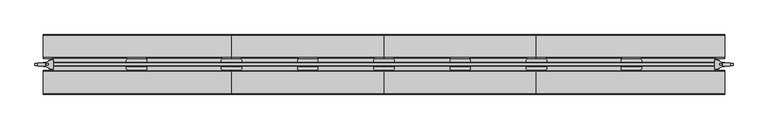
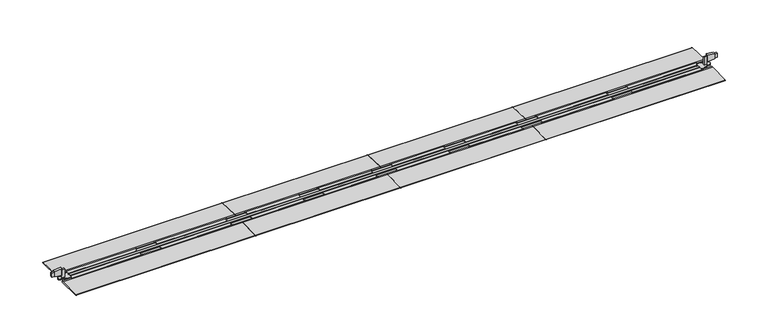
"""IFC4 building model written with IfcOpenShell, lengths in millimetres: furniture geometry."""

from ifc_helpers import new_model, si_unit, point, frame, frame_2d, origin, place, context, project, spatial, polyline, circle_curve, trimmed, segment, composite_curve, outline, extrude, faceted_brep, source, transform, mapped, element, save
from ifc_brep_helpers import plane_surface, cylinder_surface, advanced_brep


def furniture_cd8ad6c5(model_context):
    return source(origin(), model_context, "Body", "SolidModel", [
        extrude(outline(composite_curve([segment(polyline([(84.6321434, 8.9147716), (84.6321434, 18.4297719)]), True, "CONTINUOUS"), segment(trimmed(circle_curve(frame_2d((78.6321437, 18.4297719)), 5.9999997), [point((84.6321434, 18.4297719))], [point((78.6321437, 24.4297716))], True, "CARTESIAN"), True, "CONTINUOUS"), segment(polyline([(78.6321437, 24.4297716), (395.303263, 24.4297716)]), True, "CONTINUOUS"), segment(trimmed(circle_curve(frame_2d((395.303263, 18.4297719)), 5.9999997), [point((395.303263, 24.4297716))], [point((389.3032634, 18.4297719))], True, "CARTESIAN"), True, "CONTINUOUS"), segment(polyline([(389.3032634, 18.4297719), (389.3032634, 8.9147716), (84.6321434, 8.9147716)]), True, "CONTINUOUS")], self_intersect=False)), frame((0.0, 0.0, 3.2), z_axis=(0.0, 0.0, 1.0), x_axis=(1.0, 0.0, 0.0)), (0.0, 0.0, 1.0), 1.6426255),
        extrude(outline(composite_curve([segment(polyline([(-8.9147716, 84.6321434), (-18.4297719, 84.6321434)]), True, "CONTINUOUS"), segment(trimmed(circle_curve(frame_2d((-18.4297719, 78.6321437)), 5.9999997), [point((-18.4297719, 84.6321434))], [point((-24.4297716, 78.6321437))], True, "CARTESIAN"), True, "CONTINUOUS"), segment(polyline([(-24.4297716, 78.6321437), (-24.4297716, 395.303263)]), True, "CONTINUOUS"), segment(trimmed(circle_curve(frame_2d((-18.4297719, 395.303263)), 5.9999997), [point((-24.4297716, 395.303263))], [point((-18.4297719, 389.3032634))], True, "CARTESIAN"), True, "CONTINUOUS"), segment(polyline([(-18.4297719, 389.3032634), (-8.9147716, 389.3032634), (-8.9147716, 84.6321434)]), True, "CONTINUOUS")], self_intersect=False)), frame((0.0, 0.0, 4.8426255), z_axis=(0.0, 0.0, -1.0), x_axis=(0.0, 1.0, 0.0)), (0.0, 0.0, 1.0), 1.6426255),
        extrude(outline(composite_curve([segment(polyline([(790.3952008, 8.9147716), (479.3208634, 8.9147716), (479.3208634, 18.4297719)]), True, "CONTINUOUS"), segment(trimmed(circle_curve(frame_2d((473.3208637, 18.4297719)), 5.9999997), [point((479.3208634, 18.4297719))], [point((473.3208637, 24.4297716))], True, "CARTESIAN"), True, "CONTINUOUS"), segment(polyline([(473.3208637, 24.4297716), (796.3952005, 24.4297716)]), True, "CONTINUOUS"), segment(trimmed(circle_curve(frame_2d((796.3952005, 18.4297719)), 5.9999997), [point((796.3952005, 24.4297716))], [point((790.3952008, 18.4297719))], True, "CARTESIAN"), True, "CONTINUOUS"), segment(polyline([(790.3952008, 18.4297719), (790.3952008, 8.9147716)]), True, "CONTINUOUS")], self_intersect=False)), frame((0.0, 0.0, 3.2), z_axis=(0.0, 0.0, 1.0), x_axis=(1.0, 0.0, 0.0)), (0.0, 0.0, 1.0), 1.6426255),
        extrude(outline(composite_curve([segment(polyline([(790.3952008, -8.9147716), (790.3952008, -18.4297719)]), True, "CONTINUOUS"), segment(trimmed(circle_curve(frame_2d((796.3952005, -18.4297719)), 5.9999997), [point((790.3952008, -18.4297719))], [point((796.3952005, -24.4297716))], True, "CARTESIAN"), True, "CONTINUOUS"), segment(polyline([(796.3952005, -24.4297716), (473.3208637, -24.4297716)]), True, "CONTINUOUS"), segment(trimmed(circle_curve(frame_2d((473.3208637, -18.4297719)), 5.9999997), [point((473.3208637, -24.4297716))], [point((479.3208634, -18.4297719))], True, "CARTESIAN"), True, "CONTINUOUS"), segment(polyline([(479.3208634, -18.4297719), (479.3208634, -8.9147716), (790.3952008, -8.9147716)]), True, "CONTINUOUS")], self_intersect=False)), frame((0.0, 0.0, 3.2), z_axis=(0.0, 0.0, 1.0), x_axis=(1.0, 0.0, 0.0)), (0.0, 0.0, 1.0), 1.6426255),
        extrude(outline(composite_curve([segment(polyline([(1434.3614008, 8.9147716), (1202.3959008, 8.9147716), (1202.3959008, 18.4353716)]), True, "CONTINUOUS"), segment(trimmed(circle_curve(frame_2d((1196.4015008, 18.4353716)), 5.9944), [point((1202.3959008, 18.4353716))], [point((1196.4015008, 24.4297716))], True, "CARTESIAN"), True, "CONTINUOUS"), segment(polyline([(1196.4015008, 24.4297716), (1440.3614005, 24.4297716)]), True, "CONTINUOUS"), segment(trimmed(circle_curve(frame_2d((1440.3614005, 18.4297719)), 5.9999997), [point((1440.3614005, 24.4297716))], [point((1434.3614008, 18.4297719))], True, "CARTESIAN"), True, "CONTINUOUS"), segment(polyline([(1434.3614008, 18.4297719), (1434.3614008, 8.9147716)]), True, "CONTINUOUS")], self_intersect=False)), frame((0.0, 0.0, 3.2), z_axis=(0.0, 0.0, 1.0), x_axis=(1.0, 0.0, 0.0)), (0.0, 0.0, 1.0), 1.6426255),
        extrude(outline(composite_curve([segment(polyline([(1434.3614008, -8.9147716), (1434.3614008, -18.4297719)]), True, "CONTINUOUS"), segment(trimmed(circle_curve(frame_2d((1440.3614005, -18.4297719)), 5.9999997), [point((1434.3614008, -18.4297719))], [point((1440.3614005, -24.4297716))], True, "CARTESIAN"), True, "CONTINUOUS"), segment(polyline([(1440.3614005, -24.4297716), (1196.3959012, -24.4297716)]), True, "CONTINUOUS"), segment(trimmed(circle_curve(frame_2d((1196.3959012, -18.4297719)), 5.9999997), [point((1196.3959012, -24.4297716))], [point((1202.3959008, -18.4297719))], True, "CARTESIAN"), True, "CONTINUOUS"), segment(polyline([(1202.3959008, -18.4297719), (1202.3959008, -8.9147716), (1434.3614008, -8.9147716)]), True, "CONTINUOUS")], self_intersect=False)), frame((0.0, 0.0, 3.2), z_axis=(0.0, 0.0, 1.0), x_axis=(1.0, 0.0, 0.0)), (0.0, 0.0, 1.0), 1.6426255),
        extrude(outline(composite_curve([segment(polyline([(880.4128008, 8.9147716), (880.4128008, 18.4297719)]), True, "CONTINUOUS"), segment(trimmed(circle_curve(frame_2d((874.4128012, 18.4297719)), 5.9999997), [point((880.4128008, 18.4297719))], [point((874.4128012, 24.4297716))], True, "CARTESIAN"), True, "CONTINUOUS"), segment(polyline([(874.4128012, 24.4297716), (1118.3783005, 24.4297716)]), True, "CONTINUOUS"), segment(trimmed(circle_curve(frame_2d((1118.3783005, 18.4297719)), 5.9999997), [point((1118.3783005, 24.4297716))], [point((1112.3783008, 18.4297719))], True, "CARTESIAN"), True, "CONTINUOUS"), segment(polyline([(1112.3783008, 18.4297719), (1112.3783008, 8.9147716), (880.4128008, 8.9147716)]), True, "CONTINUOUS")], self_intersect=False)), frame((0.0, 0.0, 3.2), z_axis=(0.0, 0.0, 1.0), x_axis=(1.0, 0.0, 0.0)), (0.0, 0.0, 1.0), 1.6426255),
        extrude(outline(composite_curve([segment(polyline([(880.4128008, -8.9147716), (1112.3783008, -8.9147716), (1112.3783008, -18.4297719)]), True, "CONTINUOUS"), segment(trimmed(circle_curve(frame_2d((1118.3783005, -18.4297719)), 5.9999997), [point((1112.3783008, -18.4297719))], [point((1118.3783005, -24.4297716))], True, "CARTESIAN"), True, "CONTINUOUS"), segment(polyline([(1118.3783005, -24.4297716), (874.4128012, -24.4297716)]), True, "CONTINUOUS"), segment(trimmed(circle_curve(frame_2d((874.4128012, -18.4297719)), 5.9999997), [point((874.4128012, -24.4297716))], [point((880.4128008, -18.4297719))], True, "CARTESIAN"), True, "CONTINUOUS"), segment(polyline([(880.4128008, -18.4297719), (880.4128008, -8.9147716)]), True, "CONTINUOUS")], self_intersect=False)), frame((0.0, 0.0, 3.2), z_axis=(0.0, 0.0, 1.0), x_axis=(1.0, 0.0, 0.0)), (0.0, 0.0, 1.0), 1.6426255),
        extrude(outline(composite_curve([segment(polyline([(8.9147716, 2874.1082583), (18.4297719, 2874.1082583)]), True, "CONTINUOUS"), segment(trimmed(circle_curve(frame_2d((18.4297719, 2880.108258)), 5.9999997), [point((18.4297719, 2874.1082583))], [point((24.4297716, 2880.108258))], True, "CARTESIAN"), True, "CONTINUOUS"), segment(polyline([(24.4297716, 2880.108258), (24.4297716, 2563.4371387)]), True, "CONTINUOUS"), segment(trimmed(circle_curve(frame_2d((18.4297719, 2563.4371387)), 5.9999997), [point((24.4297716, 2563.4371387))], [point((18.4297719, 2569.4371383))], True, "CARTESIAN"), True, "CONTINUOUS"), segment(polyline([(18.4297719, 2569.4371383), (8.9147716, 2569.4371383), (8.9147716, 2874.1082583)]), True, "CONTINUOUS")], self_intersect=False)), frame((0.0, 0.0, 4.8426255), z_axis=(0.0, 0.0, -1.0), x_axis=(0.0, 1.0, 0.0)), (0.0, 0.0, 1.0), 1.6426255),
        extrude(outline(composite_curve([segment(polyline([(2874.1082583, -8.9147716), (2874.1082583, -18.4297719)]), True, "CONTINUOUS"), segment(trimmed(circle_curve(frame_2d((2880.108258, -18.4297719)), 5.9999997), [point((2874.1082583, -18.4297719))], [point((2880.108258, -24.4297716))], True, "CARTESIAN"), True, "CONTINUOUS"), segment(polyline([(2880.108258, -24.4297716), (2563.4371387, -24.4297716)]), True, "CONTINUOUS"), segment(trimmed(circle_curve(frame_2d((2563.4371387, -18.4297719)), 5.9999997), [point((2563.4371387, -24.4297716))], [point((2569.4371383, -18.4297719))], True, "CARTESIAN"), True, "CONTINUOUS"), segment(polyline([(2569.4371383, -18.4297719), (2569.4371383, -8.9147716), (2874.1082583, -8.9147716)]), True, "CONTINUOUS")], self_intersect=False)), frame((0.0, 0.0, 3.2), z_axis=(0.0, 0.0, 1.0), x_axis=(1.0, 0.0, 0.0)), (0.0, 0.0, 1.0), 1.6426255),
        extrude(outline(composite_curve([segment(polyline([(2168.3452008, 8.9147716), (2168.3452008, 18.4297719)]), True, "CONTINUOUS"), segment(trimmed(circle_curve(frame_2d((2162.3452012, 18.4297719)), 5.9999997), [point((2168.3452008, 18.4297719))], [point((2162.3452012, 24.4297716))], True, "CARTESIAN"), True, "CONTINUOUS"), segment(polyline([(2162.3452012, 24.4297716), (2485.419538, 24.4297716)]), True, "CONTINUOUS"), segment(trimmed(circle_curve(frame_2d((2485.419538, 18.4297719)), 5.9999997), [point((2485.419538, 24.4297716))], [point((2479.4195383, 18.4297719))], True, "CARTESIAN"), True, "CONTINUOUS"), segment(polyline([(2479.4195383, 18.4297719), (2479.4195383, 8.9147716), (2168.3452008, 8.9147716)]), True, "CONTINUOUS")], self_intersect=False)), frame((0.0, 0.0, 3.2), z_axis=(0.0, 0.0, 1.0), x_axis=(1.0, 0.0, 0.0)), (0.0, 0.0, 1.0), 1.6426255),
        extrude(outline(composite_curve([segment(polyline([(-8.9147716, 2168.3452008), (-18.4297719, 2168.3452008)]), True, "CONTINUOUS"), segment(trimmed(circle_curve(frame_2d((-18.4297719, 2162.3452012)), 5.9999997), [point((-18.4297719, 2168.3452008))], [point((-24.4297716, 2162.3452012))], True, "CARTESIAN"), True, "CONTINUOUS"), segment(polyline([(-24.4297716, 2162.3452012), (-24.4297716, 2485.419538)]), True, "CONTINUOUS"), segment(trimmed(circle_curve(frame_2d((-18.4297719, 2485.419538)), 5.9999997), [point((-24.4297716, 2485.419538))], [point((-18.4297719, 2479.4195383))], True, "CARTESIAN"), True, "CONTINUOUS"), segment(polyline([(-18.4297719, 2479.4195383), (-8.9147716, 2479.4195383), (-8.9147716, 2168.3452008)]), True, "CONTINUOUS")], self_intersect=False)), frame((0.0, 0.0, 4.8426255), z_axis=(0.0, 0.0, -1.0), x_axis=(0.0, 1.0, 0.0)), (0.0, 0.0, 1.0), 1.6426255),
        extrude(outline(composite_curve([segment(polyline([(1524.3790008, 8.9147716), (1524.3790008, 18.4297719)]), True, "CONTINUOUS"), segment(trimmed(circle_curve(frame_2d((1518.3790012, 18.4297719)), 5.9999997), [point((1524.3790008, 18.4297719))], [point((1518.3790012, 24.4297716))], True, "CARTESIAN"), True, "CONTINUOUS"), segment(polyline([(1518.3790012, 24.4297716), (1762.3445005, 24.4297716)]), True, "CONTINUOUS"), segment(trimmed(circle_curve(frame_2d((1762.3445005, 18.4297719)), 5.9999997), [point((1762.3445005, 24.4297716))], [point((1756.3445008, 18.4297719))], True, "CARTESIAN"), True, "CONTINUOUS"), segment(polyline([(1756.3445008, 18.4297719), (1756.3445008, 8.9147716), (1524.3790008, 8.9147716)]), True, "CONTINUOUS")], self_intersect=False)), frame((0.0, 0.0, 3.2), z_axis=(0.0, 0.0, 1.0), x_axis=(1.0, 0.0, 0.0)), (0.0, 0.0, 1.0), 1.6426255),
        extrude(outline(composite_curve([segment(polyline([(1524.3790008, -8.9147716), (1756.3445008, -8.9147716), (1756.3445008, -18.4297719)]), True, "CONTINUOUS"), segment(trimmed(circle_curve(frame_2d((1762.3445005, -18.4297719)), 5.9999997), [point((1756.3445008, -18.4297719))], [point((1762.3445005, -24.4297716))], True, "CARTESIAN"), True, "CONTINUOUS"), segment(polyline([(1762.3445005, -24.4297716), (1518.3790012, -24.4297716)]), True, "CONTINUOUS"), segment(trimmed(circle_curve(frame_2d((1518.3790012, -18.4297719)), 5.9999997), [point((1518.3790012, -24.4297716))], [point((1524.3790008, -18.4297719))], True, "CARTESIAN"), True, "CONTINUOUS"), segment(polyline([(1524.3790008, -18.4297719), (1524.3790008, -8.9147716)]), True, "CONTINUOUS")], self_intersect=False)), frame((0.0, 0.0, 3.2), z_axis=(0.0, 0.0, 1.0), x_axis=(1.0, 0.0, 0.0)), (0.0, 0.0, 1.0), 1.6426255),
        extrude(outline(composite_curve([segment(polyline([(2078.3276008, 8.9147716), (1846.3621008, 8.9147716), (1846.3621008, 18.4297719)]), True, "CONTINUOUS"), segment(trimmed(circle_curve(frame_2d((1840.3621012, 18.4297719)), 5.9999997), [point((1846.3621008, 18.4297719))], [point((1840.3621012, 24.4297716))], True, "CARTESIAN"), True, "CONTINUOUS"), segment(polyline([(1840.3621012, 24.4297716), (2084.3276005, 24.4297716)]), True, "CONTINUOUS"), segment(trimmed(circle_curve(frame_2d((2084.3276005, 18.4297719)), 5.9999997), [point((2084.3276005, 24.4297716))], [point((2078.3276008, 18.4297719))], True, "CARTESIAN"), True, "CONTINUOUS"), segment(polyline([(2078.3276008, 18.4297719), (2078.3276008, 8.9147716)]), True, "CONTINUOUS")], self_intersect=False)), frame((0.0, 0.0, 3.2), z_axis=(0.0, 0.0, 1.0), x_axis=(1.0, 0.0, 0.0)), (0.0, 0.0, 1.0), 1.6426255),
        extrude(outline(composite_curve([segment(polyline([(2078.3276008, -8.9147716), (2078.3276008, -18.4297719)]), True, "CONTINUOUS"), segment(trimmed(circle_curve(frame_2d((2084.3276005, -18.4297719)), 5.9999997), [point((2078.3276008, -18.4297719))], [point((2084.3276005, -24.4297716))], True, "CARTESIAN"), True, "CONTINUOUS"), segment(polyline([(2084.3276005, -24.4297716), (1840.3621012, -24.4297716)]), True, "CONTINUOUS"), segment(trimmed(circle_curve(frame_2d((1840.3621012, -18.4297719)), 5.9999997), [point((1840.3621012, -24.4297716))], [point((1846.3621008, -18.4297719))], True, "CARTESIAN"), True, "CONTINUOUS"), segment(polyline([(1846.3621008, -18.4297719), (1846.3621008, -8.9147716), (2078.3276008, -8.9147716)]), True, "CONTINUOUS")], self_intersect=False)), frame((0.0, 0.0, 3.2), z_axis=(0.0, 0.0, 1.0), x_axis=(1.0, 0.0, 0.0)), (0.0, 0.0, 1.0), 1.6426255),
        extrude(outline(composite_curve([segment(trimmed(circle_curve(frame_2d((125.4554521, 0.4957713)), 0.4957713), [point((125.4754986, 0.9911372))], [point((125.4554521, 0.0))], False, "CARTESIAN"), True, "CONTINUOUS"), segment(polyline([(125.4554521, 0.0), (24.4297716, 0.0), (24.4297716, 4.8426255), (30.3016859, 4.8426255), (125.4754986, 0.9911372)]), True, "CONTINUOUS")], self_intersect=False)), frame((2123.3364008, 0.0, 0.0), z_axis=(1.0, 0.0, 0.0), x_axis=(0.0, 1.0, 0.0)), (0.0, 0.0, 1.0), 795.7718542),
        extrude(outline(composite_curve([segment(polyline([(-125.4754986, 0.9911372), (-30.3016859, 4.8426255), (-24.4297716, 4.8426255), (-24.4297716, 0.0), (-125.4554521, 0.0)]), True, "CONTINUOUS"), segment(trimmed(circle_curve(frame_2d((-125.4554521, 0.4957713)), 0.4957713), [point((-125.4554521, 0.0))], [point((-125.4754986, 0.9911372))], False, "CARTESIAN"), True, "CONTINUOUS")], self_intersect=False)), frame((2123.3364008, 0.0, 0.0), z_axis=(1.0, 0.0, 0.0), x_axis=(0.0, 1.0, 0.0)), (0.0, 0.0, 1.0), 795.7718542),
        extrude(outline(composite_curve([segment(trimmed(circle_curve(frame_2d((125.4554521, 0.4957713)), 0.4957713), [point((125.4754986, 0.9911372))], [point((125.4554521, 0.0))], False, "CARTESIAN"), True, "CONTINUOUS"), segment(polyline([(125.4554521, 0.0), (24.4297716, 0.0), (24.4297716, 4.8426255), (30.3016859, 4.8426255), (125.4754986, 0.9911372)]), True, "CONTINUOUS")], self_intersect=False)), frame((1479.3702008, 0.0, 0.0), z_axis=(1.0, 0.0, 0.0), x_axis=(0.0, 1.0, 0.0)), (0.0, 0.0, 1.0), 643.9662),
        extrude(outline(composite_curve([segment(polyline([(-125.4754986, 0.9911372), (-30.3016859, 4.8426255), (-24.4297716, 4.8426255), (-24.4297716, 0.0), (-125.4554521, 0.0)]), True, "CONTINUOUS"), segment(trimmed(circle_curve(frame_2d((-125.4554521, 0.4957713)), 0.4957713), [point((-125.4554521, 0.0))], [point((-125.4754986, 0.9911372))], False, "CARTESIAN"), True, "CONTINUOUS")], self_intersect=False)), frame((1479.3702008, 0.0, 0.0), z_axis=(1.0, 0.0, 0.0), x_axis=(0.0, 1.0, 0.0)), (0.0, 0.0, 1.0), 643.9662),
        extrude(outline(composite_curve([segment(trimmed(circle_curve(frame_2d((125.4554521, 0.4957713)), 0.4957713), [point((125.4754986, 0.9911372))], [point((125.4554521, 0.0))], False, "CARTESIAN"), True, "CONTINUOUS"), segment(polyline([(125.4554521, 0.0), (24.4297716, 0.0), (24.4297716, 4.8426255), (30.3016859, 4.8426255), (125.4754986, 0.9911372)]), True, "CONTINUOUS")], self_intersect=False)), frame((835.4040008, 0.0, 0.0), z_axis=(1.0, 0.0, 0.0), x_axis=(0.0, 1.0, 0.0)), (0.0, 0.0, 1.0), 643.9662),
        extrude(outline(composite_curve([segment(polyline([(-125.4754986, 0.9911372), (-30.3016859, 4.8426255), (-24.4297716, 4.8426255), (-24.4297716, 0.0), (-125.4554521, 0.0)]), True, "CONTINUOUS"), segment(trimmed(circle_curve(frame_2d((-125.4554521, 0.4957713)), 0.4957713), [point((-125.4554521, 0.0))], [point((-125.4754986, 0.9911372))], False, "CARTESIAN"), True, "CONTINUOUS")], self_intersect=False)), frame((835.4040008, 0.0, 0.0), z_axis=(1.0, 0.0, 0.0), x_axis=(0.0, 1.0, 0.0)), (0.0, 0.0, 1.0), 643.9662),
        extrude(outline(composite_curve([segment(trimmed(circle_curve(frame_2d((125.4554521, 0.4957713)), 0.4957713), [point((125.4754986, 0.9911372))], [point((125.4554521, 0.0))], False, "CARTESIAN"), True, "CONTINUOUS"), segment(polyline([(125.4554521, 0.0), (24.4297716, 0.0), (24.4297716, 4.8426255), (30.3016859, 4.8426255), (125.4754986, 0.9911372)]), True, "CONTINUOUS")], self_intersect=False)), frame((39.6321467, 0.0, 0.0), z_axis=(1.0, 0.0, 0.0), x_axis=(0.0, 1.0, 0.0)), (0.0, 0.0, 1.0), 795.7718542),
        extrude(outline(composite_curve([segment(polyline([(-125.4754986, 0.9911372), (-30.3016859, 4.8426255), (-24.4297716, 4.8426255), (-24.4297716, 0.0), (-125.4554521, 0.0)]), True, "CONTINUOUS"), segment(trimmed(circle_curve(frame_2d((-125.4554521, 0.4957713)), 0.4957713), [point((-125.4554521, 0.0))], [point((-125.4754986, 0.9911372))], False, "CARTESIAN"), True, "CONTINUOUS")], self_intersect=False)), frame((39.6321467, 0.0, 0.0), z_axis=(1.0, 0.0, 0.0), x_axis=(0.0, 1.0, 0.0)), (0.0, 0.0, 1.0), 795.7718542),
        faceted_brep([(16.4471645, -5.1378121, 41.98356), (4.4704904, -5.1378121, 41.98356), (4.4704904, -5.1378121, 23.9495601), (16.4471645, -5.1378121, 23.9495601), (16.4471645, 3.9828152, 23.9495601), (4.4704904, 3.9828152, 23.9495601), (4.4704904, 3.9828152, 41.98356), (16.4471645, 3.9828152, 41.98356), (16.4471645, -5.7458537, 43.823833), (16.4471645, -5.7458537, 22.1092859), (47.8642387, -5.7458537, 17.0292851), (47.8642387, -5.7458537, 48.9038327), (16.4471645, 5.7200775, 43.823833), (47.8642387, 5.7200775, 48.9038327), (47.8642387, 5.7200775, 17.0292851), (16.4471645, 5.7200775, 22.1092859), (49.2528394, -4.357253, 48.9038327), (49.2528394, 4.2434044, 48.9038327), (49.2528394, -4.357253, 17.0292851), (49.2528394, 4.2434044, 17.0292851), (49.2528394, 3.09719, 17.0292851), (49.2528387, -3.112044, 17.0292851), (49.2528394, -3.112044, 41.9835611), (49.2528394, 3.09719, 41.9835611), (61.3163018, 3.09719, 41.9835611), (61.3163018, -3.112044, 41.9835611), (61.3163018, 3.09719, 4.8426255), (61.3163018, -3.112044, 4.8426255), (49.2528387, -3.112044, 4.8426255), (49.2528387, 3.09719, 4.8426255)], [[[0, 1, 2, 3]], [[4, 5, 6, 7]], [[1, 0, 7, 6]], [[2, 1, 6, 5]], [[3, 2, 5, 4]], [[8, 9, 10, 11]], [[12, 13, 14, 15]], [[9, 8, 12, 15], [0, 3, 4, 7]], [[10, 9, 15, 14]], [[8, 11, 13, 12]], [[16, 17, 13, 11]], [[18, 10, 14, 19, 20, 21]], [[17, 16, 18, 21, 22, 23, 20, 19]], [[13, 17, 19, 14]], [[16, 11, 10, 18]], [[24, 23, 22, 25]], [[26, 27, 28, 29]], [[23, 24, 26, 29, 20]], [[29, 28, 21, 20]], [[25, 22, 21, 28, 27]], [[24, 25, 27, 26]]]),
        faceted_brep([(2942.2932372, -5.1378121, 23.9495601), (2954.2699112, -5.1378121, 23.9495601), (2954.2699112, -5.1378121, 41.98356), (2942.2932372, -5.1378121, 41.98356), (2942.2932372, 3.9828152, 41.98356), (2954.2699112, 3.9828152, 41.98356), (2954.2699112, 3.9828152, 23.9495601), (2942.2932372, 3.9828152, 23.9495601), (2942.2932372, -5.7458537, 43.823833), (2910.876163, -5.7458537, 48.9038327), (2910.876163, -5.7458537, 17.0292851), (2942.2932372, -5.7458537, 22.1092859), (2942.2932372, 5.7200775, 43.823833), (2942.2932372, 5.7200775, 22.1092859), (2910.876163, 5.7200775, 17.0292851), (2910.876163, 5.7200775, 48.9038327), (2909.4875623, -4.357253, 48.9038327), (2909.4875623, 4.2434044, 48.9038327), (2909.4875623, 4.2434044, 17.0292851), (2909.4875623, -4.357253, 17.0292851), (2909.4875623, -3.112044, 17.0292851), (2909.4860952, 3.09719, 17.0292851), (2909.4875623, 3.09719, 41.9835611), (2909.4875623, -3.112044, 41.9835611), (2897.4226601, 3.09719, 41.9835611), (2897.4226601, -3.112044, 41.9835611), (2897.4226601, 3.09719, 4.8426255), (2909.4860952, 3.09719, 4.8426255), (2909.4860952, -3.112044, 4.8426255), (2897.4226601, -3.112044, 4.8426255)], [[[0, 1, 2, 3]], [[4, 5, 6, 7]], [[1, 0, 7, 6]], [[2, 1, 6, 5]], [[3, 2, 5, 4]], [[8, 9, 10, 11]], [[12, 13, 14, 15]], [[9, 8, 12, 15]], [[11, 10, 14, 13]], [[8, 11, 13, 12], [0, 3, 4, 7]], [[16, 9, 15, 17]], [[18, 14, 10, 19, 20, 21]], [[9, 16, 19, 10]], [[17, 15, 14, 18]], [[16, 17, 18, 21, 22, 23, 20, 19]], [[24, 25, 23, 22]], [[26, 27, 28, 29]], [[25, 24, 26, 29]], [[23, 25, 29, 28, 20]], [[28, 27, 21, 20]], [[24, 22, 21, 27, 26]]]),
        advanced_brep(
        [(72.1269065, 18.5169339, 3.8608001), (50.1021062, 7.9188628, 3.8608001), (41.3426317, 7.9188628, 3.8608001), (41.3426317, -7.9188628, 3.8608001), (50.1021062, -7.9188628, 3.8608001), (72.1269065, -18.5169339, 3.8608001), (81.0749478, -18.5169339, 3.8608001), (83.901701, -15.6901807, 3.8608001), (83.901701, 15.6901807, 3.8608001), (81.0749478, 18.5169339, 3.8608001), (50.1021062, -7.9188628, 0.0), (41.3426317, -7.9188628, 0.0), (41.3426317, 7.9188628, 0.0), (50.1021062, 7.9188628, 0.0), (58.2484554, 11.8387888, 0.0), (74.1037674, 24.4297716, 0.0), (144.8785023, 24.4297716, 0.0), (144.8785023, -24.4297716, 0.0), (74.1037674, -24.4297716, 0.0), (58.2484554, -11.8387888, 0.0), (72.1269065, 18.5169339, 0.8), (58.2484554, 11.8387888, 0.8), (58.2484554, -11.8387888, 0.8), (72.1269065, -18.5169339, 0.8), (81.0749478, -18.5169339, 0.8), (83.901701, -15.6901807, 0.8), (83.901701, 15.6901807, 0.8), (81.0749478, 18.5169339, 0.8), (74.1037674, -24.4297716, 0.8), (144.8785023, -24.4297716, 0.8), (144.8785023, 24.4297716, 0.8), (74.1037674, 24.4297716, 0.8)],
        [
            (0, 1),
            (1, 2),
            (2, 3, circle_curve(frame((41.3426317, 0.0, 3.8608001), z_axis=(0.0, 0.0, 1.0), x_axis=(1.0, 0.0, 0.0)), 7.9188628)),
            (3, 4),
            (4, 5),
            (5, 6),
            (6, 7, circle_curve(frame((81.0749478, -15.6901807, 3.8608001), z_axis=(0.0, 0.0, 1.0), x_axis=(1.0, 0.0, 0.0)), 2.8267532)),
            (7, 8),
            (8, 9, circle_curve(frame((81.0749478, 15.6901807, 3.8608001), z_axis=(0.0, 0.0, 1.0), x_axis=(1.0, 0.0, 0.0)), 2.8267532)),
            (9, 0),
            (10, 11),
            (11, 12, circle_curve(frame((41.3426317, 0.0, 0.0), z_axis=(0.0, 0.0, -1.0), x_axis=(1.0, 0.0, 0.0)), 7.9188628)),
            (12, 13),
            (13, 14),
            (14, 15),
            (15, 16),
            (16, 17),
            (17, 18),
            (18, 19),
            (19, 10),
            (0, 20),
            (20, 21),
            (21, 14),
            (13, 1),
            (4, 10),
            (19, 22),
            (22, 23),
            (23, 5),
            (23, 24),
            (24, 6),
            (24, 25, circle_curve(frame((81.0749478, -15.6901807, 0.8), z_axis=(0.0, 0.0, 1.0), x_axis=(1.0, 0.0, 0.0)), 2.8267532)),
            (25, 7),
            (25, 26),
            (26, 8),
            (26, 27, circle_curve(frame((81.0749478, 15.6901807, 0.8), z_axis=(0.0, 0.0, 1.0), x_axis=(1.0, 0.0, 0.0)), 2.8267532)),
            (27, 9),
            (27, 20),
            (12, 2),
            (11, 3),
            (28, 29),
            (29, 30),
            (30, 31),
            (31, 21),
            (22, 28),
            (18, 28),
            (17, 29),
            (16, 30),
            (15, 31),
        ],
        [
            plane_surface(frame((50.1021062, 7.9188628, 3.8608001), z_axis=(0.0, 0.0, 1.0000000000000002), x_axis=(-0.9011049883982333, -0.4336009684996334, 0.0))),
            plane_surface(frame((50.1021062, 7.9188628, 0.0), z_axis=(0.0, 0.0, -1.0000000000000002), x_axis=(0.9011049883982333, 0.4336009684996334, 0.0))),
            plane_surface(frame((72.1269065, 18.5169339, 3.8608001), z_axis=(-0.4336009684996334, 0.9011049883982333, 0.0), x_axis=(0.0, 0.0, -1.0))),
            plane_surface(frame((50.1021062, -7.9188628, 3.8608001), z_axis=(-0.4336009684996328, -0.9011049883982335, 0.0), x_axis=(0.0, 0.0, -1.0))),
            plane_surface(frame((72.1269065, -18.5169339, 3.8608001), z_axis=(0.0, -1.0, 0.0), x_axis=(0.0, 0.0, -1.0))),
            cylinder_surface(frame((81.0749478, -15.6901807, 0.0), z_axis=(0.0, 0.0, 1.0), x_axis=(1.0, 0.0, 0.0)), 2.8267532),
            plane_surface(frame((83.901701, -15.6901807, 3.8608001), z_axis=(1.0, 0.0, 0.0), x_axis=(0.0, 0.0, -1.0))),
            cylinder_surface(frame((81.0749478, 15.6901807, 0.0), z_axis=(0.0, 0.0, 1.0), x_axis=(1.0, 0.0, 0.0)), 2.8267532),
            plane_surface(frame((81.0749478, 18.5169339, 3.8608001), z_axis=(0.0, 1.0, 0.0), x_axis=(0.0, 0.0, -1.0))),
            plane_surface(frame((50.1021062, 7.9188628, 3.8608001), z_axis=(0.0, 1.0, 0.0), x_axis=(0.0, 0.0, -1.0))),
            cylinder_surface(frame((41.3426317, 0.0, 0.0), z_axis=(0.0, 0.0, 1.0), x_axis=(1.0, 0.0, 0.0)), 7.9188628),
            plane_surface(frame((41.3426317, -7.9188628, 3.8608001), z_axis=(0.0, -1.0, 0.0), x_axis=(0.0, 0.0, -1.0))),
            plane_surface(frame((53.2884988, -7.8999998, 0.8), z_axis=(0.0, 0.0, 1.0), x_axis=(0.0, -1.0, 0.0))),
            plane_surface(frame((53.2884988, -7.8999998, 0.8), z_axis=(-0.6218821339442681, -0.7831108551673406, 0.0), x_axis=(0.0, 0.0, -1.0))),
            plane_surface(frame((74.1037674, -24.4297716, 0.8), z_axis=(0.0, -1.0, 0.0), x_axis=(0.0, 0.0, -1.0))),
            plane_surface(frame((144.8785023, -24.4297716, 0.8), z_axis=(1.0, 0.0, 0.0), x_axis=(0.0, 0.0, -1.0))),
            plane_surface(frame((144.8785023, 24.4297716, 0.8), z_axis=(0.0, 1.0, 0.0), x_axis=(0.0, 0.0, -1.0))),
            plane_surface(frame((74.1037674, 24.4297716, 0.8), z_axis=(-0.621882133944268, 0.7831108551673408, 0.0), x_axis=(0.0, 0.0, -1.0))),
        ],
        [
            (0, [[1, 2, 3, 4, 5, 6, 7, 8, 9, 10]]),
            (1, [[11, 12, 13, 14, 15, 16, 17, 18, 19, 20]]),
            (2, [[-1, 21, 22, 23, -14, 24]]),
            (3, [[-5, 25, -20, 26, 27, 28]]),
            (4, [[-6, -28, 29, 30]]),
            (5, [[-7, -30, 31, 32]]),
            (6, [[-8, -32, 33, 34]]),
            (7, [[-9, -34, 35, 36]]),
            (8, [[-10, -36, 37, -21]]),
            (9, [[-2, -24, -13, 38]]),
            (10, [[-3, -38, -12, 39]]),
            (11, [[-4, -39, -11, -25]]),
            (12, [[40, 41, 42, 43, -22, -37, -35, -33, -31, -29, -27, 44]]),
            (13, [[45, -44, -26, -19]]),
            (14, [[-40, -45, -18, 46]]),
            (15, [[-41, -46, -17, 47]]),
            (16, [[-42, -47, -16, 48]]),
            (17, [[-48, -15, -23, -43]]),
        ],
    ),
        advanced_brep(
        [(2886.6134952, 18.5169339, 3.8608001), (2877.6654538, 18.5169339, 3.8608001), (2874.8387006, 15.6901807, 3.8608001), (2874.8387006, -15.6901807, 3.8608001), (2877.6654538, -18.5169339, 3.8608001), (2886.6134952, -18.5169339, 3.8608001), (2908.6382954, -7.9188628, 3.8608001), (2917.39777, -7.9188628, 3.8608001), (2917.39777, 7.9188628, 3.8608001), (2908.6382954, 7.9188628, 3.8608001), (2908.6382954, 7.9188628, 0.0), (2917.39777, 7.9188628, 0.0), (2917.39777, -7.9188628, 0.0), (2908.6382954, -7.9188628, 0.0), (2900.4919463, -11.8387888, 0.0), (2884.6366342, -24.4297716, 0.0), (2813.8618993, -24.4297716, 0.0), (2813.8618993, 24.4297716, 0.0), (2884.6366342, 24.4297716, 0.0), (2900.4919463, 11.8387888, 0.0), (2886.6134952, 18.5169339, 0.8), (2877.6654538, 18.5169339, 0.8), (2874.8387006, 15.6901807, 0.8), (2874.8387006, -15.6901807, 0.8), (2877.6654538, -18.5169339, 0.8), (2886.6134952, -18.5169339, 0.8), (2900.4919463, -11.8387888, 0.8), (2900.4919463, 11.8387888, 0.8), (2884.6366342, 24.4297716, 0.8), (2813.8618993, 24.4297716, 0.8), (2813.8618993, -24.4297716, 0.8), (2884.6366342, -24.4297716, 0.8)],
        [
            (0, 1),
            (1, 2, circle_curve(frame((2877.6654538, 15.6901807, 3.8608001), z_axis=(0.0, 0.0, 1.0), x_axis=(1.0, 0.0, 0.0)), 2.8267532)),
            (2, 3),
            (3, 4, circle_curve(frame((2877.6654538, -15.6901807, 3.8608001), z_axis=(0.0, 0.0, 1.0), x_axis=(1.0, 0.0, 0.0)), 2.8267532)),
            (4, 5),
            (5, 6),
            (6, 7),
            (7, 8, circle_curve(frame((2917.39777, 0.0, 3.8608001), z_axis=(0.0, 0.0, 1.0), x_axis=(1.0, 0.0, 0.0)), 7.9188628)),
            (8, 9),
            (9, 0),
            (10, 11),
            (11, 12, circle_curve(frame((2917.39777, 0.0, 0.0), z_axis=(0.0, 0.0, -1.0), x_axis=(1.0, 0.0, 0.0)), 7.9188628)),
            (12, 13),
            (13, 14),
            (14, 15),
            (15, 16),
            (16, 17),
            (17, 18),
            (18, 19),
            (19, 10),
            (0, 20),
            (20, 21),
            (21, 1),
            (21, 22, circle_curve(frame((2877.6654538, 15.6901807, 0.8), z_axis=(0.0, 0.0, 1.0), x_axis=(1.0, 0.0, 0.0)), 2.8267532)),
            (22, 2),
            (22, 23),
            (23, 3),
            (23, 24, circle_curve(frame((2877.6654538, -15.6901807, 0.8), z_axis=(0.0, 0.0, 1.0), x_axis=(1.0, 0.0, 0.0)), 2.8267532)),
            (24, 4),
            (24, 25),
            (25, 5),
            (25, 26),
            (26, 14),
            (13, 6),
            (12, 7),
            (11, 8),
            (10, 9),
            (19, 27),
            (27, 20),
            (28, 29),
            (29, 30),
            (30, 31),
            (31, 26),
            (27, 28),
            (18, 28),
            (17, 29),
            (16, 30),
            (15, 31),
        ],
        [
            plane_surface(frame((50.1021062, 7.9188628, 3.8608001), z_axis=(0.0, 0.0, 1.0000000000000002), x_axis=(-0.9011049883982333, -0.4336009684996334, 0.0))),
            plane_surface(frame((50.1021062, 7.9188628, 0.0), z_axis=(0.0, 0.0, -1.0000000000000002), x_axis=(0.9011049883982333, 0.4336009684996334, 0.0))),
            plane_surface(frame((2886.6134952, 18.5169339, 3.8608001), z_axis=(0.0, 1.0, 0.0), x_axis=(0.0, 0.0, -1.0))),
            cylinder_surface(frame((2877.6654538, 15.6901807, 0.0), z_axis=(0.0, 0.0, 1.0), x_axis=(1.0, 0.0, 0.0)), 2.8267532),
            plane_surface(frame((2874.8387006, 15.6901807, 3.8608001), z_axis=(-1.0, 0.0, 0.0), x_axis=(0.0, 0.0, -1.0))),
            cylinder_surface(frame((2877.6654538, -15.6901807, 0.0), z_axis=(0.0, 0.0, 1.0), x_axis=(1.0, 0.0, 0.0)), 2.8267532),
            plane_surface(frame((2877.6654538, -18.5169339, 3.8608001), z_axis=(0.0, -1.0, 0.0), x_axis=(0.0, 0.0, -1.0))),
            plane_surface(frame((2886.6134952, -18.5169339, 3.8608001), z_axis=(0.43360096849953955, -0.9011049883982784, 0.0), x_axis=(0.0, 0.0, -1.0))),
            plane_surface(frame((2908.6382954, -7.9188628, 3.8608001), z_axis=(0.0, -1.0, 0.0), x_axis=(0.0, 0.0, -1.0))),
            cylinder_surface(frame((2917.39777, 0.0, 0.0), z_axis=(0.0, 0.0, 1.0), x_axis=(1.0, 0.0, 0.0)), 7.9188628),
            plane_surface(frame((2917.39777, 7.9188628, 3.8608001), z_axis=(0.0, 1.0, 0.0), x_axis=(0.0, 0.0, -1.0))),
            plane_surface(frame((2908.6382954, 7.9188628, 3.8608001), z_axis=(0.4336009684996149, 0.901104988398242, 0.0), x_axis=(0.0, 0.0, -1.0))),
            plane_surface(frame((53.2884988, -7.8999998, 0.8), z_axis=(0.0, 0.0, 1.0), x_axis=(0.0, -1.0, 0.0))),
            plane_surface(frame((2905.4519029, 7.8999998, 0.8), z_axis=(0.6218821339440689, 0.7831108551674987, 0.0), x_axis=(0.0, 0.0, -1.0))),
            plane_surface(frame((2884.6366342, 24.4297716, 0.8), z_axis=(0.0, 1.0, 0.0), x_axis=(0.0, 0.0, -1.0))),
            plane_surface(frame((2813.8618993, 24.4297716, 0.8), z_axis=(-1.0, 0.0, 0.0), x_axis=(0.0, 0.0, -1.0))),
            plane_surface(frame((2813.8618993, -24.4297716, 0.8), z_axis=(0.0, -1.0, 0.0), x_axis=(0.0, 0.0, -1.0))),
            plane_surface(frame((2884.6366342, -24.4297716, 0.8), z_axis=(0.6218821339442617, -0.7831108551673457, 0.0), x_axis=(0.0, 0.0, -1.0))),
        ],
        [
            (0, [[1, 2, 3, 4, 5, 6, 7, 8, 9, 10]]),
            (1, [[11, 12, 13, 14, 15, 16, 17, 18, 19, 20]]),
            (2, [[-1, 21, 22, 23]]),
            (3, [[-2, -23, 24, 25]]),
            (4, [[-3, -25, 26, 27]]),
            (5, [[-4, -27, 28, 29]]),
            (6, [[-5, -29, 30, 31]]),
            (7, [[-6, -31, 32, 33, -14, 34]]),
            (8, [[-7, -34, -13, 35]]),
            (9, [[-8, -35, -12, 36]]),
            (10, [[-9, -36, -11, 37]]),
            (11, [[-10, -37, -20, 38, 39, -21]]),
            (12, [[40, 41, 42, 43, -32, -30, -28, -26, -24, -22, -39, 44]]),
            (13, [[45, -44, -38, -19]]),
            (14, [[-40, -45, -18, 46]]),
            (15, [[-41, -46, -17, 47]]),
            (16, [[-42, -47, -16, 48]]),
            (17, [[-48, -15, -33, -43]]),
        ],
    ),
        extrude(outline(composite_curve([segment(polyline([(9.2784886, 1.6), (23.0500011, 1.6), (23.0500011, 0.8), (9.4000002, 0.8)]), True, "CONTINUOUS"), segment(trimmed(circle_curve(frame_2d((9.4000002, 2.4)), 1.6), [point((9.4000002, 0.8))], [point((7.8000003, 2.4))], False, "CARTESIAN"), True, "CONTINUOUS"), segment(polyline([(7.8000003, 2.4), (7.8000003, 3.2512772)]), True, "CONTINUOUS"), segment(trimmed(circle_curve(frame_2d((7.1512773, 3.2512772)), 0.648723), [point((7.8000003, 3.2512772))], [point((7.1512773, 3.9000001))], True, "CARTESIAN"), True, "CONTINUOUS"), segment(polyline([(7.1512773, 3.9000001), (-7.1512773, 3.9000001)]), True, "CONTINUOUS"), segment(trimmed(circle_curve(frame_2d((-7.1512773, 3.2512772)), 0.648723), [point((-7.1512773, 3.9000001))], [point((-7.8000003, 3.2512772))], True, "CARTESIAN"), True, "CONTINUOUS"), segment(polyline([(-7.8000003, 3.2512772), (-7.8000003, 2.4)]), True, "CONTINUOUS"), segment(trimmed(circle_curve(frame_2d((-9.4000002, 2.4)), 1.6), [point((-7.8000003, 2.4))], [point((-9.4000002, 0.8))], False, "CARTESIAN"), True, "CONTINUOUS"), segment(polyline([(-9.4000002, 0.8), (-23.0500011, 0.8), (-23.0500011, 1.6), (-9.2784886, 1.6)]), True, "CONTINUOUS"), segment(trimmed(circle_curve(frame_2d((-9.2784886, 2.2784884)), 0.6784884), [point((-9.2784886, 1.6))], [point((-8.6000003, 2.2784884))], True, "CARTESIAN"), True, "CONTINUOUS"), segment(polyline([(-8.6000003, 2.2784884), (-8.6000003, 3.1000001)]), True, "CONTINUOUS"), segment(trimmed(circle_curve(frame_2d((-7.0000003, 3.1000001)), 1.6), [point((-8.6000003, 3.1000001))], [point((-7.0000003, 4.7000001))], False, "CARTESIAN"), True, "CONTINUOUS"), segment(polyline([(-7.0000003, 4.7000001), (7.0000003, 4.7000001)]), True, "CONTINUOUS"), segment(trimmed(circle_curve(frame_2d((7.0000003, 3.1000001)), 1.6), [point((7.0000003, 4.7000001))], [point((8.6000003, 3.1000001))], False, "CARTESIAN"), True, "CONTINUOUS"), segment(polyline([(8.6000003, 3.1000001), (8.6000003, 2.2784884)]), True, "CONTINUOUS"), segment(trimmed(circle_curve(frame_2d((9.2784886, 2.2784884)), 0.6784884), [point((8.6000003, 2.2784884))], [point((9.2784886, 1.6))], True, "CARTESIAN"), True, "CONTINUOUS")], self_intersect=False)), frame((84.078498, 0.0, 0.0), z_axis=(1.0, 0.0, 0.0), x_axis=(0.0, 1.0, 0.0)), (0.0, 0.0, 1.0), 2790.5819613),
    ])


if __name__ == "__main__":
    model = new_model("IFC4")
    model_context = context("Model", 3, world=origin())
    ifc_project = project(units=[si_unit("LENGTHUNIT", "METRE", prefix="MILLI")], contexts=[model_context])
    site = spatial("IfcSite", under=ifc_project)
    building = spatial("IfcBuilding", under=site)
    placement = place(None, origin())
    furniture_shape = furniture_cd8ad6c5(model_context)
    element("IfcFurniture", 1, at=placement, inside=building, context=model_context, shape_type="MappedRepresentation", body=[
        mapped(furniture_shape, transform((0.0, 0.0, 0.0), x_axis=(1.0, 0.0, 0.0), y_axis=(0.0, 1.0, 0.0), z_axis=(0.0, 0.0, 1.0))),
    ])
    save(model, "model.ifc")
